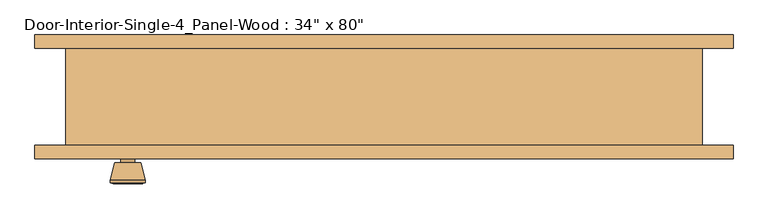
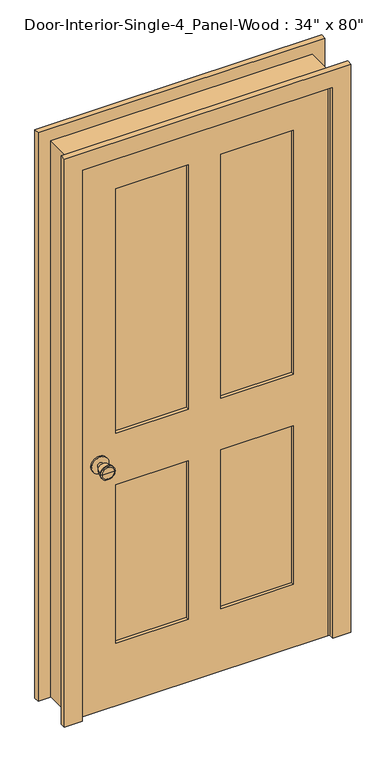
"""IFC4 building model written with IfcOpenShell, lengths in millimetres: door geometry."""

from ifc_helpers import new_model, si_unit, point, frame, frame_2d, origin, place, context, project, spatial, polyline, circle_curve, trimmed, segment, composite_curve, outline, extrude, faceted_brep, source, transform, mapped, element, save
from ifc_brep_helpers import plane_surface, cylinder_surface, revolved_surface, advanced_brep


def door_fd36e840(model_context):
    return source(origin(), model_context, "Body", "SolidModel", [
        advanced_brep(
        [(-368.3, -25.75, 914.4), (-378.3, -25.75, 914.4), (-358.3, -25.75, 914.4), (-347.8241324, 23.25, 914.4), (-388.7758676, 23.25, 914.4), (-368.3, 23.25, 914.4), (-343.3, 21.4221319, 914.4), (-393.3, 21.4221319, 914.4), (-343.3, 17.9584537, 914.4), (-393.3, 17.9584537, 914.4), (-349.663764, -6.75, 914.4), (-386.936236, -6.75, 914.4), (-358.3, -6.75, 914.4), (-378.3, -6.75, 914.4)],
        [
            (0, 1),
            (1, 2, circle_curve(frame((-368.3, -25.75, 914.4), z_axis=(0.0, -1.0, 0.0), x_axis=(-1.0, 0.0, 0.0)), 10.0)),
            (2, 0),
            (2, 1, circle_curve(frame((-368.3, -25.75, 914.4), z_axis=(0.0, -1.0, 0.0), x_axis=(-1.0, 0.0, 0.0)), 10.0)),
            (3, 4, circle_curve(frame((-368.3, 23.25, 914.4), z_axis=(0.0, 1.0, 0.0), x_axis=(-1.0, 0.0, 0.0)), 20.4758676)),
            (4, 5),
            (5, 3),
            (4, 3, circle_curve(frame((-368.3, 23.25, 914.4), z_axis=(0.0, 1.0, 0.0), x_axis=(-1.0, 0.0, 0.0)), 20.4758676)),
            (6, 7, circle_curve(frame((-368.3, 21.4221319, 914.4), z_axis=(0.0, 1.0, 0.0), x_axis=(-1.0, 0.0, 0.0)), 25.0)),
            (7, 4),
            (3, 6),
            (7, 6, circle_curve(frame((-368.3, 21.4221319, 914.4), z_axis=(0.0, 1.0, 0.0), x_axis=(-1.0, 0.0, 0.0)), 25.0)),
            (8, 9, circle_curve(frame((-368.3, 17.9584537, 914.4), z_axis=(0.0, 1.0, 0.0), x_axis=(-1.0, 0.0, 0.0)), 25.0)),
            (9, 7),
            (6, 8),
            (9, 8, circle_curve(frame((-368.3, 17.9584537, 914.4), z_axis=(0.0, 1.0, 0.0), x_axis=(-1.0, 0.0, 0.0)), 25.0)),
            (10, 11, circle_curve(frame((-368.3, -6.75, 914.4), z_axis=(0.0, 1.0, 0.0), x_axis=(-1.0, 0.0, 0.0)), 18.636236)),
            (11, 9),
            (8, 10),
            (11, 10, circle_curve(frame((-368.3, -6.75, 914.4), z_axis=(0.0, 1.0, 0.0), x_axis=(-1.0, 0.0, 0.0)), 18.636236)),
            (12, 13, circle_curve(frame((-368.3, -6.75, 914.4), z_axis=(0.0, 1.0, 0.0), x_axis=(-1.0, 0.0, 0.0)), 10.0)),
            (13, 11),
            (10, 12),
            (13, 12, circle_curve(frame((-368.3, -6.75, 914.4), z_axis=(0.0, 1.0, 0.0), x_axis=(-1.0, 0.0, 0.0)), 10.0)),
            (1, 13),
            (12, 2),
        ],
        [
            plane_surface(frame((-368.3, -25.75, 914.4), z_axis=(0.0, -1.0, 0.0), x_axis=(-1.0, 0.0, 0.0))),
            plane_surface(frame((-368.3, 23.25, 914.4), z_axis=(0.0, 1.0, 0.0), x_axis=(-1.0, 0.0, 0.0))),
            revolved_surface(polyline([(-388.7758676, 23.25, 914.4), (-393.3, 21.4221319, 914.4)]), (-368.3, -25.75, 914.4), (0.0, -1.0, 0.0)),
            cylinder_surface(frame((-368.3, -25.75, 914.4), z_axis=(0.0, -1.0, 0.0), x_axis=(-1.0, 0.0, 0.0)), 25.0),
            revolved_surface(polyline([(-393.3, 17.9584537, 914.4), (-386.936236, -6.75, 914.4)]), (-368.3, -25.75, 914.4), (0.0, -1.0, 0.0)),
            plane_surface(frame((-368.3, -6.75, 914.4), z_axis=(0.0, -1.0, 0.0), x_axis=(-1.0, 0.0, 0.0))),
            cylinder_surface(frame((-368.3, -25.75, 914.4), z_axis=(0.0, -1.0, 0.0), x_axis=(-1.0, 0.0, 0.0)), 10.0),
        ],
        [
            (0, [[1, 2, 3]]),
            (0, [[-3, 4, -1]]),
            (1, [[5, 6, 7]]),
            (1, [[8, -7, -6]]),
            (2, [[9, 10, -5, 11]]),
            (2, [[12, -11, -8, -10]]),
            (3, [[13, 14, -9, 15]]),
            (3, [[16, -15, -12, -14]]),
            (4, [[17, 18, -13, 19]]),
            (4, [[20, -19, -16, -18]]),
            (5, [[21, 22, -17, 23]]),
            (5, [[24, -23, -20, -22]]),
            (6, [[-2, 25, -21, 26]]),
            (6, [[-4, -26, -24, -25]]),
        ],
    ),
        extrude(outline(composite_curve([segment(trimmed(circle_curve(frame_2d((914.4, -368.3)), 30.0), [point((914.4, -398.3))], [point((914.4, -338.3))], False, "CARTESIAN"), True, "CONTINUOUS"), segment(trimmed(circle_curve(frame_2d((914.4, -368.3)), 30.0), [point((914.4, -338.3))], [point((914.4, -398.3))], False, "CARTESIAN"), True, "CONTINUOUS")], self_intersect=False)), frame((0.0, -31.75, 0.0), z_axis=(0.0, 1.0, 0.0), x_axis=(0.0, 0.0, 1.0)), (0.0, 0.0, 1.0), 6.0),
        advanced_brep(
        [(-368.3, -72.675, 914.4), (-358.3, -72.675, 914.4), (-378.3, -72.675, 914.4), (-347.8241324, -121.675, 914.4), (-368.3, -121.675, 914.4), (-388.7758676, -121.675, 914.4), (-343.3, -119.8471319, 914.4), (-393.3, -119.8471319, 914.4), (-343.3, -116.3834537, 914.4), (-393.3, -116.3834537, 914.4), (-349.663764, -91.675, 914.4), (-386.936236, -91.675, 914.4), (-358.3, -91.675, 914.4), (-378.3, -91.675, 914.4)],
        [
            (0, 1),
            (1, 2, circle_curve(frame((-368.3, -72.675, 914.4), z_axis=(0.0, 1.0, 0.0), x_axis=(-1.0, 0.0, 0.0)), 10.0)),
            (2, 0),
            (2, 1, circle_curve(frame((-368.3, -72.675, 914.4), z_axis=(0.0, 1.0, 0.0), x_axis=(-1.0, 0.0, 0.0)), 10.0)),
            (3, 4),
            (4, 5),
            (5, 3, circle_curve(frame((-368.3, -121.675, 914.4), z_axis=(0.0, -1.0, 0.0), x_axis=(-1.0, 0.0, 0.0)), 20.4758676)),
            (3, 5, circle_curve(frame((-368.3, -121.675, 914.4), z_axis=(0.0, -1.0, 0.0), x_axis=(-1.0, 0.0, 0.0)), 20.4758676)),
            (6, 3),
            (5, 7),
            (7, 6, circle_curve(frame((-368.3, -119.8471319, 914.4), z_axis=(0.0, -1.0, 0.0), x_axis=(-1.0, 0.0, 0.0)), 25.0)),
            (6, 7, circle_curve(frame((-368.3, -119.8471319, 914.4), z_axis=(0.0, -1.0, 0.0), x_axis=(-1.0, 0.0, 0.0)), 25.0)),
            (8, 6),
            (7, 9),
            (9, 8, circle_curve(frame((-368.3, -116.3834537, 914.4), z_axis=(0.0, -1.0, 0.0), x_axis=(-1.0, 0.0, 0.0)), 25.0)),
            (8, 9, circle_curve(frame((-368.3, -116.3834537, 914.4), z_axis=(0.0, -1.0, 0.0), x_axis=(-1.0, 0.0, 0.0)), 25.0)),
            (10, 8),
            (9, 11),
            (11, 10, circle_curve(frame((-368.3, -91.675, 914.4), z_axis=(0.0, -1.0, 0.0), x_axis=(-1.0, 0.0, 0.0)), 18.636236)),
            (10, 11, circle_curve(frame((-368.3, -91.675, 914.4), z_axis=(0.0, -1.0, 0.0), x_axis=(-1.0, 0.0, 0.0)), 18.636236)),
            (12, 10),
            (11, 13),
            (13, 12, circle_curve(frame((-368.3, -91.675, 914.4), z_axis=(0.0, -1.0, 0.0), x_axis=(-1.0, 0.0, 0.0)), 10.0)),
            (12, 13, circle_curve(frame((-368.3, -91.675, 914.4), z_axis=(0.0, -1.0, 0.0), x_axis=(-1.0, 0.0, 0.0)), 10.0)),
            (1, 12),
            (13, 2),
        ],
        [
            plane_surface(frame((-368.3, -72.675, 914.4), z_axis=(0.0, 1.0, 0.0), x_axis=(-1.0, 0.0, 0.0))),
            plane_surface(frame((-368.3, -121.675, 914.4), z_axis=(0.0, -1.0, 0.0), x_axis=(-1.0, 0.0, 0.0))),
            revolved_surface(polyline([(-388.7758676, -121.675, 914.4), (-393.3, -119.8471319, 914.4)]), (-368.3, -72.675, 914.4), (0.0, 1.0, 0.0)),
            cylinder_surface(frame((-368.3, -72.675, 914.4), z_axis=(0.0, 1.0, 0.0), x_axis=(-1.0, 0.0, 0.0)), 25.0),
            revolved_surface(polyline([(-393.3, -116.3834537, 914.4), (-386.936236, -91.675, 914.4)]), (-368.3, -72.675, 914.4), (0.0, 1.0, 0.0)),
            plane_surface(frame((-368.3, -91.675, 914.4), z_axis=(0.0, 1.0, 0.0), x_axis=(-1.0, 0.0, 0.0))),
            cylinder_surface(frame((-368.3, -72.675, 914.4), z_axis=(0.0, 1.0, 0.0), x_axis=(-1.0, 0.0, 0.0)), 10.0),
        ],
        [
            (0, [[1, 2, 3]]),
            (0, [[-3, 4, -1]]),
            (1, [[5, 6, 7]]),
            (1, [[-6, -5, 8]]),
            (2, [[9, -7, 10, 11]]),
            (2, [[-10, -8, -9, 12]]),
            (3, [[13, -11, 14, 15]]),
            (3, [[-14, -12, -13, 16]]),
            (4, [[17, -15, 18, 19]]),
            (4, [[-18, -16, -17, 20]]),
            (5, [[21, -19, 22, 23]]),
            (5, [[-22, -20, -21, 24]]),
            (6, [[25, -23, 26, -2]]),
            (6, [[-26, -24, -25, -4]]),
        ],
    ),
        extrude(outline(composite_curve([segment(trimmed(circle_curve(frame_2d((914.4, -368.3)), 30.0), [point((914.4, -398.3))], [point((914.4, -338.3))], False, "CARTESIAN"), True, "CONTINUOUS"), segment(trimmed(circle_curve(frame_2d((914.4, -368.3)), 30.0), [point((914.4, -338.3))], [point((914.4, -398.3))], False, "CARTESIAN"), True, "CONTINUOUS")], self_intersect=False)), frame((0.0, -72.675, 0.0), z_axis=(0.0, 1.0, 0.0), x_axis=(0.0, 0.0, 1.0)), (0.0, 0.0, 1.0), 6.0),
        extrude(outline(polyline([(311.15, -43.3916667), (311.15, -55.0333333), (57.15, -55.0333333), (57.15, -43.3916667), (311.15, -43.3916667)])), frame((0.0, 0.0, 1009.65), z_axis=(0.0, 0.0, 1.0), x_axis=(1.0, 0.0, 0.0)), (0.0, 0.0, 1.0), 903.2875),
        extrude(outline(polyline([(-57.15, -43.3916667), (-57.15, -55.0333333), (-311.15, -55.0333333), (-311.15, -43.3916667), (-57.15, -43.3916667)])), frame((0.0, 0.0, 1009.65), z_axis=(0.0, 0.0, 1.0), x_axis=(1.0, 0.0, 0.0)), (0.0, 0.0, 1.0), 903.2875),
        extrude(outline(polyline([(311.15, -43.3916667), (311.15, -55.0333333), (57.15, -55.0333333), (57.15, -43.3916667), (311.15, -43.3916667)])), frame((0.0, 0.0, 231.775), z_axis=(0.0, 0.0, 1.0), x_axis=(1.0, 0.0, 0.0)), (0.0, 0.0, 1.0), 587.375),
        extrude(outline(polyline([(-57.15, -43.3916667), (-57.15, -55.0333333), (-311.15, -55.0333333), (-311.15, -43.3916667), (-57.15, -43.3916667)])), frame((0.0, 0.0, 231.775), z_axis=(0.0, 0.0, 1.0), x_axis=(1.0, 0.0, 0.0)), (0.0, 0.0, 1.0), 587.375),
        extrude(outline(polyline([(2032.0, -431.8), (0.0, -431.8), (0.0, 431.8), (2032.0, 431.8), (2032.0, -431.8)]), holes=[polyline([(1912.9375, 57.15), (1912.9375, 311.15), (1009.65, 311.15), (1009.65, 57.15), (1912.9375, 57.15)]), polyline([(1009.65, -57.15), (1009.65, -311.15), (1912.9375, -311.15), (1912.9375, -57.15), (1009.65, -57.15)]), polyline([(819.15, 57.15), (819.15, 311.15), (231.775, 311.15), (231.775, 57.15), (819.15, 57.15)]), polyline([(231.775, -57.15), (231.775, -311.15), (819.15, -311.15), (819.15, -57.15), (231.775, -57.15)])]), frame((0.0, -66.675, 0.0), z_axis=(0.0, 1.0, 0.0), x_axis=(0.0, 0.0, 1.0)), (0.0, 0.0, 1.0), 34.925),
        faceted_brep([(457.2, -66.675, 0.0), (431.8, -66.675, 0.0), (431.8, -31.75, 0.0), (419.1, -31.75, 0.0), (419.1, 3.175, 0.0), (431.8, 3.175, 0.0), (431.8, 73.025, 0.0), (457.2, 73.025, 0.0), (457.2, 73.025, 2057.4), (457.2, -66.675, 2057.4), (431.8, 73.025, 2032.0), (-431.8, 73.025, 2032.0), (-431.8, 73.025, 0.0), (-457.2, 73.025, 0.0), (-457.2, 73.025, 2057.4), (431.8, 3.175, 2032.0), (419.1, 3.175, 2019.3), (-419.1, 3.175, 2019.3), (-419.1, 3.175, 0.0), (-431.8, 3.175, 0.0), (-431.8, 3.175, 2032.0), (419.1, -31.75, 2019.3), (431.8, -31.75, 2032.0), (-431.8, -31.75, 2032.0), (-431.8, -31.75, 0.0), (-419.1, -31.75, 0.0), (-419.1, -31.75, 2019.3), (431.8, -66.675, 2032.0), (-457.2, -66.675, 2057.4), (-457.2, -66.675, 0.0), (-431.8, -66.675, 0.0), (-431.8, -66.675, 2032.0)], [[[0, 1, 2, 3, 4, 5, 6, 7]], [[7, 8, 9, 0]], [[6, 10, 11, 12, 13, 14, 8, 7]], [[5, 15, 10, 6]], [[4, 16, 17, 18, 19, 20, 15, 5]], [[3, 21, 16, 4]], [[2, 22, 23, 24, 25, 26, 21, 3]], [[1, 27, 22, 2]], [[0, 9, 28, 29, 30, 31, 27, 1]], [[8, 14, 28, 9]], [[15, 20, 11, 10]], [[21, 26, 17, 16]], [[27, 31, 23, 22]], [[29, 13, 12, 19, 18, 25, 24, 30]], [[14, 13, 29, 28]], [[20, 19, 12, 11]], [[26, 25, 18, 17]], [[31, 30, 24, 23]]]),
        extrude(outline(polyline([(0.0, 501.65), (2101.85, 501.65), (2101.85, -501.65), (0.0, -501.65), (0.0, -438.15), (2038.35, -438.15), (2038.35, 438.15), (0.0, 438.15), (0.0, 501.65)])), frame((0.0, 73.025, 0.0), z_axis=(0.0, 1.0, 0.0), x_axis=(0.0, 0.0, 1.0)), (0.0, 0.0, 1.0), 19.05),
        extrude(outline(polyline([(0.0, 501.65), (2101.85, 501.65), (2101.85, -501.65), (0.0, -501.65), (0.0, -438.15), (2038.35, -438.15), (2038.35, 438.15), (0.0, 438.15), (0.0, 501.65)])), frame((0.0, -85.725, 0.0), z_axis=(0.0, 1.0, 0.0), x_axis=(0.0, 0.0, 1.0)), (0.0, 0.0, 1.0), 19.05),
    ])


if __name__ == "__main__":
    model = new_model("IFC4")
    model_context = context("Model", 3, world=origin())
    ifc_project = project(units=[si_unit("LENGTHUNIT", "METRE", prefix="MILLI")], contexts=[model_context])
    site = spatial("IfcSite", under=ifc_project)
    building = spatial("IfcBuilding", under=site)
    placement = place(None, origin())
    door_shape = door_fd36e840(model_context)
    element("IfcDoor", 1, ObjectType="Door-Interior-Single-4_Panel-Wood : 34\" x 80\"", at=placement, inside=building, context=model_context, shape_type="MappedRepresentation", body=[
        mapped(door_shape, transform((0.0, 0.0, 0.0), x_axis=(1.0, 0.0, 0.0), y_axis=(0.0, 1.0, 0.0), z_axis=(0.0, 0.0, 1.0))),
    ])
    save(model, "model.ifc")
